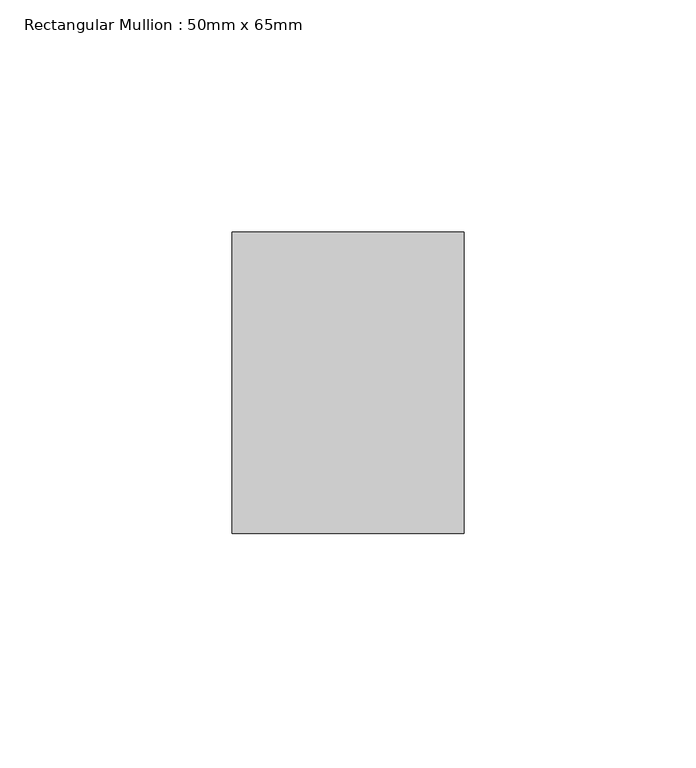
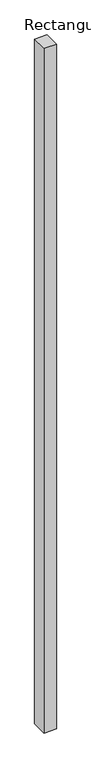
"""IFC4 building model written with IfcOpenShell, lengths in millimetres: member geometry, Rectangular Mullion : 50mm x 65mm."""

from ifc_helpers import new_model, si_unit, frame, origin, place, context, project, spatial, polyline, outline, extrude, source, transform, mapped, element, save


def rectangular_mullion_50mm_x_65mm_73492962(model_context):
    return source(origin(), model_context, "Body", "SweptSolid", [
        extrude(outline(polyline([(25.0, 32.5), (25.0, -32.5), (-25.0, -32.5), (-25.0, 32.5), (25.0, 32.5)])), frame((0.0, 0.0, -2924.9799955), z_axis=(0.0, 0.0, 1.0), x_axis=(1.0, 0.0, 0.0)), (0.0, 0.0, 1.0), 2924.9799955),
    ])


if __name__ == "__main__":
    model = new_model("IFC4")
    model_context = context("Model", 3, world=origin())
    ifc_project = project(units=[si_unit("LENGTHUNIT", "METRE", prefix="MILLI")], contexts=[model_context])
    site = spatial("IfcSite", under=ifc_project)
    building = spatial("IfcBuilding", under=site)
    placement = place(None, origin())
    rectangular_mullion_50mm_x_65mm_shape = rectangular_mullion_50mm_x_65mm_73492962(model_context)
    element("IfcMember", 1, ObjectType="Rectangular Mullion : 50mm x 65mm", at=placement, inside=building, context=model_context, shape_type="MappedRepresentation", body=[
        mapped(rectangular_mullion_50mm_x_65mm_shape, transform((0.0, 0.0, 0.0), x_axis=(1.0, 0.0, 0.0), y_axis=(0.0, 1.0, 0.0), z_axis=(0.0, 0.0, 1.0))),
    ])
    save(model, "model.ifc")
